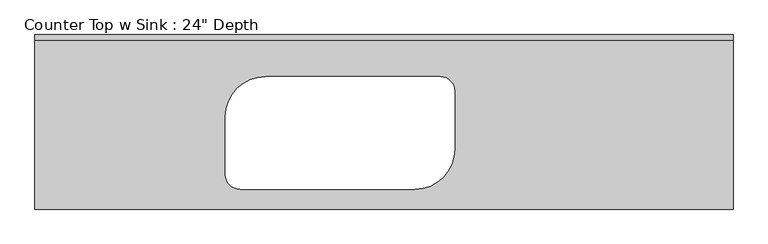
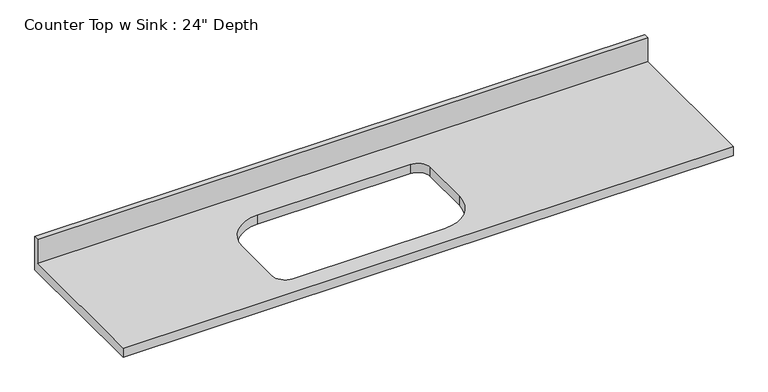
"""IFC4 building model written with IfcOpenShell, lengths in millimetres: furniture geometry."""

from ifc_helpers import new_model, si_unit, frame, origin, place, context, project, spatial, polyline, circle_curve, source, transform, mapped, element, save
from ifc_brep_helpers import plane_surface, revolved_surface, advanced_brep


def furniture_1f5da241(model_context):
    return source(origin(), model_context, "Body", "AdvancedBrep", [
        advanced_brep(
        [(-1200.4622951, -609.6, 914.4), (1236.4023573, -609.6, 914.4), (1236.4023573, -19.05, 914.4), (-1200.4622951, -19.05, 914.4), (-395.5476427, -146.05, 914.4), (214.0523573, -146.05, 914.4), (264.8523573, -196.85, 914.4), (264.8523573, -400.05, 914.4), (125.1523573, -539.75, 914.4), (-484.4476427, -539.75, 914.4), (-535.2476427, -488.95, 914.4), (-535.2476427, -285.75, 914.4), (1236.4023573, 0.0, 876.3), (1236.4023573, -609.6, 876.3), (-1200.4622951, -609.6, 876.3), (-1200.4622951, 0.0, 876.3), (214.0523573, -146.05, 876.3), (-395.5476427, -146.05, 876.3), (-535.2476427, -285.75, 876.3), (-535.2476427, -488.95, 876.3), (-484.4476427, -539.75, 876.3), (125.1523573, -539.75, 876.3), (264.8523573, -400.05, 876.3), (264.8523573, -196.85, 876.3), (-1200.4622951, 0.0, 1016.0), (1236.4023573, 0.0, 1016.0), (-1200.4622951, -19.05, 1016.0), (1236.4023573, -19.05, 1016.0)],
        [
            (0, 1),
            (1, 2),
            (2, 3),
            (3, 0),
            (4, 5),
            (5, 6, circle_curve(frame((214.0523573, -196.85, 914.4), z_axis=(0.0, 0.0, -1.0), x_axis=(1.0, 0.0, 0.0)), 50.8)),
            (6, 7),
            (7, 8, circle_curve(frame((125.1523573, -400.05, 914.4), z_axis=(0.0, 0.0, -1.0), x_axis=(1.0, 0.0, 0.0)), 139.7)),
            (8, 9),
            (9, 10, circle_curve(frame((-484.4476427, -488.95, 914.4), z_axis=(0.0, 0.0, -1.0), x_axis=(1.0, 0.0, 0.0)), 50.8)),
            (10, 11),
            (11, 4, circle_curve(frame((-395.5476427, -285.75, 914.4), z_axis=(0.0, 0.0, -1.0), x_axis=(1.0, 0.0, 0.0)), 139.7)),
            (12, 13),
            (13, 14),
            (14, 15),
            (15, 12),
            (16, 17),
            (17, 18, circle_curve(frame((-395.5476427, -285.75, 876.3), z_axis=(0.0, 0.0, 1.0), x_axis=(1.0, 0.0, 0.0)), 139.7)),
            (18, 19),
            (19, 20, circle_curve(frame((-484.4476427, -488.95, 876.3), z_axis=(0.0, 0.0, 1.0), x_axis=(1.0, 0.0, 0.0)), 50.8)),
            (20, 21),
            (21, 22, circle_curve(frame((125.1523573, -400.05, 876.3), z_axis=(0.0, 0.0, 1.0), x_axis=(1.0, 0.0, 0.0)), 139.7)),
            (22, 23),
            (23, 16, circle_curve(frame((214.0523573, -196.85, 876.3), z_axis=(0.0, 0.0, 1.0), x_axis=(1.0, 0.0, 0.0)), 50.8)),
            (15, 24),
            (24, 25),
            (25, 12),
            (14, 0),
            (3, 26),
            (26, 24),
            (13, 1),
            (25, 27),
            (27, 2),
            (26, 27),
            (4, 17),
            (16, 5),
            (11, 18),
            (10, 19),
            (9, 20),
            (8, 21),
            (7, 22),
            (6, 23),
        ],
        [
            plane_surface(frame((-1200.4622951, 0.0, 914.4), z_axis=(0.0, 0.0, 1.0), x_axis=(-1.0, 0.0, 0.0))),
            plane_surface(frame((-1200.4622951, 0.0, 876.3), z_axis=(0.0, 0.0, -1.0), x_axis=(1.0, 0.0, 0.0))),
            plane_surface(frame((1236.4023573, 0.0, 914.4), z_axis=(0.0, 1.0, 0.0), x_axis=(0.0, 0.0, -1.0))),
            plane_surface(frame((-1200.4622951, 0.0, 914.4), z_axis=(-1.0, 0.0, 0.0), x_axis=(0.0, 0.0, -1.0))),
            plane_surface(frame((-1200.4622951, -609.6, 914.4), z_axis=(0.0, -1.0, 0.0), x_axis=(0.0, 0.0, -1.0))),
            plane_surface(frame((1236.4023573, -609.6, 914.4), z_axis=(1.0, 0.0, 0.0), x_axis=(0.0, 0.0, -1.0))),
            plane_surface(frame((-1200.4622951, 0.0, 1016.0), z_axis=(0.0, 0.0, 1.0), x_axis=(0.0, -1.0, 0.0))),
            plane_surface(frame((-1200.4622951, -19.05, 1016.0), z_axis=(0.0, -1.0, 0.0), x_axis=(0.0, 0.0, -1.0))),
            plane_surface(frame((214.0523573, -146.05, 914.4), z_axis=(0.0, -1.0, 0.0), x_axis=(0.0, 0.0, -1.0))),
            revolved_surface(polyline([(-255.8476427, -285.75, 914.4), (-255.8476427, -285.75, 876.3)]), (-395.5476427, -285.75, 876.3), (0.0, 0.0, 1.0)),
            plane_surface(frame((-535.2476427, -285.75, 914.4), z_axis=(1.0, 0.0, 0.0), x_axis=(0.0, 0.0, -1.0))),
            revolved_surface(polyline([(-433.6476427, -488.95, 914.4), (-433.6476427, -488.95, 876.3)]), (-484.4476427, -488.95, 876.3), (0.0, 0.0, 1.0)),
            plane_surface(frame((-484.4476427, -539.75, 914.4), z_axis=(0.0, 1.0, 0.0), x_axis=(0.0, 0.0, -1.0))),
            revolved_surface(polyline([(264.8523573, -400.05, 914.4), (264.8523573, -400.05, 876.3)]), (125.1523573, -400.05, 876.3), (0.0, 0.0, 1.0)),
            plane_surface(frame((264.8523573, -400.05, 914.4), z_axis=(-1.0, 0.0, 0.0), x_axis=(0.0, 0.0, -1.0))),
            revolved_surface(polyline([(264.8523573, -196.85, 914.4), (264.8523573, -196.85, 876.3)]), (214.0523573, -196.85, 876.3), (0.0, 0.0, 1.0)),
        ],
        [
            (0, [[1, 2, 3, 4], [5, 6, 7, 8, 9, 10, 11, 12]]),
            (1, [[13, 14, 15, 16], [17, 18, 19, 20, 21, 22, 23, 24]]),
            (2, [[-16, 25, 26, 27]]),
            (3, [[-15, 28, -4, 29, 30, -25]]),
            (4, [[-1, -28, -14, 31]]),
            (5, [[-13, -27, 32, 33, -2, -31]]),
            (6, [[-30, 34, -32, -26]]),
            (7, [[-34, -29, -3, -33]]),
            (8, [[35, -17, 36, -5]]),
            (9, [[-35, -12, 37, -18]]),
            (10, [[-37, -11, 38, -19]]),
            (11, [[-38, -10, 39, -20]]),
            (12, [[-39, -9, 40, -21]]),
            (13, [[-40, -8, 41, -22]]),
            (14, [[-41, -7, 42, -23]]),
            (15, [[-36, -24, -42, -6]]),
        ],
    ),
    ])


if __name__ == "__main__":
    model = new_model("IFC4")
    model_context = context("Model", 3, world=origin())
    ifc_project = project(units=[si_unit("LENGTHUNIT", "METRE", prefix="MILLI")], contexts=[model_context])
    site = spatial("IfcSite", under=ifc_project)
    building = spatial("IfcBuilding", under=site)
    placement = place(None, origin())
    furniture_shape = furniture_1f5da241(model_context)
    element("IfcFurniture", 1, ObjectType="Counter Top w Sink : 24\" Depth", at=placement, inside=building, context=model_context, shape_type="MappedRepresentation", body=[
        mapped(furniture_shape, transform((0.0, 0.0, 0.0), x_axis=(1.0, 0.0, 0.0), y_axis=(0.0, 1.0, 0.0), z_axis=(0.0, 0.0, 1.0))),
    ])
    save(model, "model.ifc")
